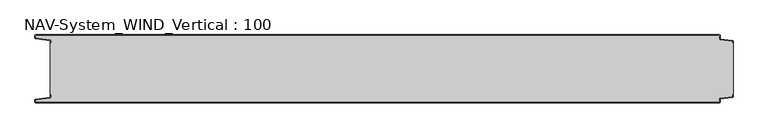
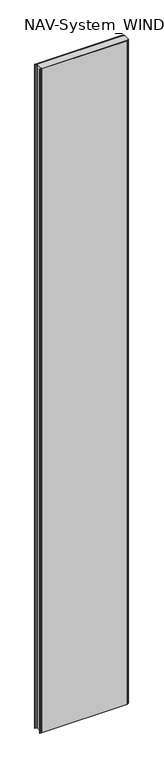
"""IFC4 building model written with IfcOpenShell, lengths in millimetres: plate geometry, NAV-System_WIND_Vertical : 100."""

import ifcopenshell
import ifcopenshell.guid

model = None  # the IFC model being written
_history = None  # IfcOwnerHistory: only IFC2X3 demands one
_inside = {}  # id of a spatial element -> (the spatial element, [elements in it])
_under = {}  # id of a project, library or spatial element -> (it, [spatial elements below it])
_declared = {}  # id of a project -> (the project, [libraries it declares])
_typed = {}  # id of a type object -> (the type object, [elements of that type])
_made_of = {}  # id of a material, layer set ... -> (it, [elements and type objects made of it])


def new_model(schema):
    """Start an empty IFC model of exactly this schema.

    Asked for "IFC4X3", IfcOpenShell would pick the latest addendum, in which some entities
    have other attributes; the version numbers below select the first issue.
    IFC2X3 requires an IfcOwnerHistory on every rooted entity: one is made here for all.
    """
    global model, _history
    if schema == "IFC4X3":
        model = ifcopenshell.file(schema_version=(4, 3, 0, 0))
    else:
        model = ifcopenshell.file(schema=schema)
    _inside.clear()
    _under.clear()
    _declared.clear()
    _typed.clear()
    _made_of.clear()
    _history = None
    if model.schema == "IFC2X3":
        org = make("IfcOrganization", Name="unknown")
        user = make(
            "IfcPersonAndOrganization",
            ThePerson=make("IfcPerson", FamilyName="unknown"),
            TheOrganization=org,
        )
        app = make(
            "IfcApplication",
            ApplicationDeveloper=org,
            Version="unknown",
            ApplicationFullName="unknown",
            ApplicationIdentifier="unknown",
        )
        _history = make(
            "IfcOwnerHistory",
            OwningUser=user,
            OwningApplication=app,
            ChangeAction="ADDED",
            CreationDate=0,
        )
    return model


def make(cls, **values):
    """One entity of the class cls with the attributes given. An attribute that is None is left unset."""
    return model.create_entity(
        cls, **{name: value for name, value in values.items() if value is not None}
    )


def rooted(cls, **values):
    """An entity with a GlobalId (a new one), such as an element, a storey or a relation."""
    return make(cls, GlobalId=ifcopenshell.guid.new(), OwnerHistory=_history, **values)


def si_unit(unit_type, name, prefix=None):
    """IfcSIUnit, for example si_unit("LENGTHUNIT", "METRE", prefix="MILLI")."""
    return make("IfcSIUnit", UnitType=unit_type, Prefix=prefix, Name=name)


def assignment(units):
    """IfcUnitAssignment: the units of a project."""
    return None if units is None else make("IfcUnitAssignment", Units=units)


def point(xyz):
    """IfcCartesianPoint."""
    return None if xyz is None else make("IfcCartesianPoint", Coordinates=xyz)


def direction(xyz):
    """IfcDirection."""
    return None if xyz is None else make("IfcDirection", DirectionRatios=xyz)


def frame(location, z_axis=None, x_axis=None):
    """IfcAxis2Placement3D, a coordinate frame: its origin and axes. An axis left out is left unset."""
    return make(
        "IfcAxis2Placement3D",
        Location=point(location),
        Axis=direction(z_axis),
        RefDirection=direction(x_axis),
    )


def frame_2d(location, x_axis=None):
    """IfcAxis2Placement2D, a coordinate frame in the plane: its origin and x axis."""
    return make(
        "IfcAxis2Placement2D", Location=point(location), RefDirection=direction(x_axis)
    )


def origin():
    """The frame at (0, 0, 0) with its axes left unset."""
    return frame((0.0, 0.0, 0.0))


def origin_with_axes():
    """The frame at (0, 0, 0) with the z axis (0, 0, 1) and the x axis (1, 0, 0) written out."""
    return frame((0.0, 0.0, 0.0), z_axis=(0.0, 0.0, 1.0), x_axis=(1.0, 0.0, 0.0))


def place(relative_to, where):
    """IfcLocalPlacement: puts the frame where relative to a parent placement (None: the world)."""
    return make(
        "IfcLocalPlacement", PlacementRelTo=relative_to, RelativePlacement=where
    )


def context(
    kind, dimensions, precision=None, world=None, true_north=None, identifier=None
):
    """IfcGeometricRepresentationContext, for example the 3D "Model" context."""
    return make(
        "IfcGeometricRepresentationContext",
        ContextIdentifier=identifier,
        ContextType=kind,
        CoordinateSpaceDimension=dimensions,
        Precision=precision,
        WorldCoordinateSystem=world,
        TrueNorth=true_north,
    )


def project(units=None, contexts=None):
    """IfcProject with its units and contexts."""
    return rooted(
        "IfcProject",
        Name="project",
        RepresentationContexts=contexts,
        UnitsInContext=assignment(units),
    )


def spatial(cls, under=None, at=None, **own):
    """A site, building, storey or space (cls), placed at a placement, below another one or the project."""
    s = rooted(cls, ObjectPlacement=at, **own)
    if under is not None:
        _under.setdefault(under.id(), (under, []))[1].append(s)
    return s


def polyline(points):
    """IfcPolyline through the points."""
    return make("IfcPolyline", Points=[point(p) for p in points])


def circle_curve(where, radius):
    """IfcCircle in the frame where."""
    return make("IfcCircle", Position=where, Radius=radius)


def trimmed(basis, trim1, trim2, sense, master):
    """IfcTrimmedCurve: the piece of a basis curve between two trims."""
    return make(
        "IfcTrimmedCurve",
        BasisCurve=basis,
        Trim1=trim1,
        Trim2=trim2,
        SenseAgreement=sense,
        MasterRepresentation=master,
    )


def segment(curve, same_sense, transition):
    """IfcCompositeCurveSegment."""
    return make(
        "IfcCompositeCurveSegment",
        Transition=transition,
        SameSense=same_sense,
        ParentCurve=curve,
    )


def composite_curve(segments, self_intersect=None):
    """IfcCompositeCurve: segments joined end to end."""
    return make("IfcCompositeCurve", Segments=segments, SelfIntersect=self_intersect)


def outline(outer, holes=None, kind="AREA"):
    """IfcArbitraryClosedProfileDef: a profile drawn as a closed curve; with holes, ...WithVoids."""
    if holes is None:
        return make("IfcArbitraryClosedProfileDef", ProfileType=kind, OuterCurve=outer)
    return make(
        "IfcArbitraryProfileDefWithVoids",
        ProfileType=kind,
        OuterCurve=outer,
        InnerCurves=holes,
    )


def extrude(swept, where, along, depth):
    """IfcExtrudedAreaSolid: the profile swept, set in the frame where, extruded along a direction by depth."""
    return make(
        "IfcExtrudedAreaSolid",
        SweptArea=swept,
        Position=where,
        ExtrudedDirection=direction(along),
        Depth=depth,
    )


def shape(context_of_items, identifier, shape_type, items):
    """IfcShapeRepresentation: the items that make up one representation, for example the "Body"."""
    return make(
        "IfcShapeRepresentation",
        ContextOfItems=context_of_items,
        RepresentationIdentifier=identifier,
        RepresentationType=shape_type,
        Items=items,
    )


def source(mapping_origin, context_of_items, identifier, shape_type, items):
    """IfcRepresentationMap: a shape defined once, which mapped items show again and again."""
    return make(
        "IfcRepresentationMap",
        MappingOrigin=mapping_origin,
        MappedRepresentation=shape(context_of_items, identifier, shape_type, items),
    )


def transform(
    local_origin,
    x_axis=None,
    y_axis=None,
    z_axis=None,
    scale=None,
    scale2=None,
    scale3=None,
    uniform=True,
):
    """IfcCartesianTransformationOperator3D, or its non-uniform kind. x_axis, y_axis, z_axis: its Axis1, 2, 3."""
    if uniform:
        return make(
            "IfcCartesianTransformationOperator3D",
            Axis1=direction(x_axis),
            Axis2=direction(y_axis),
            LocalOrigin=point(local_origin),
            Scale=scale,
            Axis3=direction(z_axis),
        )
    return make(
        "IfcCartesianTransformationOperator3DnonUniform",
        Axis1=direction(x_axis),
        Axis2=direction(y_axis),
        LocalOrigin=point(local_origin),
        Scale=scale,
        Axis3=direction(z_axis),
        Scale2=scale2,
        Scale3=scale3,
    )


def mapped(mapping_source, mapping_target):
    """IfcMappedItem: shows the shape of a source again, moved by a transform."""
    return make(
        "IfcMappedItem", MappingSource=mapping_source, MappingTarget=mapping_target
    )


def made_of(thing, what):
    """Note that an element or type object is made of a material, layer set ...; save() writes the relation."""
    if what is not None:
        _made_of.setdefault(what.id(), (what, []))[1].append(thing)
    return thing


def element(
    cls,
    number,
    at=None,
    inside=None,
    cuts=None,
    type_object=None,
    material=None,
    context=None,
    identifier="Body",
    shape_type=None,
    held_by="IfcProductDefinitionShape",
    body=None,
    shapes=None,
    **own,
):
    """One element of the class cls, such as IfcWall. Its Tag is "e" and its number.

    at: its placement. inside: the storey or other place that contains it. cuts: it is an
    opening in that element (IfcRelVoidsElement). A single representation is given by context,
    identifier, shape_type and body (its items); several are given by shapes. held_by: the class
    of the entity that holds the representations. save() writes the other relations.
    """
    e = rooted(cls, Tag="e%d" % number, ObjectPlacement=at, **own)
    if body is not None:
        shapes = [shape(context, identifier, shape_type, body)]
    if shapes is not None:
        e.Representation = make(held_by, Representations=shapes)
    if inside is not None:
        _inside.setdefault(inside.id(), (inside, []))[1].append(e)
    if cuts is not None:
        rooted(
            "IfcRelVoidsElement", RelatingBuildingElement=cuts, RelatedOpeningElement=e
        )
    if type_object is not None:
        _typed.setdefault(type_object.id(), (type_object, []))[1].append(e)
    return made_of(e, material)


def aggregate(whole, parts):
    """IfcRelAggregates: a whole, such as a stair, and the parts it consists of."""
    return rooted("IfcRelAggregates", RelatingObject=whole, RelatedObjects=parts)


def save(model, path):
    """Write the relations noted so far, then the file.

    IfcRelAggregates (storeys below a building ...), IfcRelContainedInSpatialStructure (elements
    in a storey), IfcRelDefinesByType, IfcRelAssociatesMaterial and IfcRelDeclares: one each for
    every whole, place, type object, material and project.
    """
    for whole, parts in _under.values():
        aggregate(whole, parts)
    for where, things in _inside.values():
        rooted(
            "IfcRelContainedInSpatialStructure",
            RelatedElements=things,
            RelatingStructure=where,
        )
    for kind, things in _typed.values():
        rooted("IfcRelDefinesByType", RelatedObjects=things, RelatingType=kind)
    for what, things in _made_of.values():
        rooted("IfcRelAssociatesMaterial", RelatedObjects=things, RelatingMaterial=what)
    for by, libraries in _declared.values():
        rooted("IfcRelDeclares", RelatingContext=by, RelatedDefinitions=libraries)
    model.write(path)


def nav_system_wind_vertical_100_ba036d32(model_context):
    return source(origin(), model_context, "Body", "SweptSolid", [
        extrude(outline(composite_curve([segment(polyline([(519.0, -88.2932637), (519.0, -90.1932637)]), True, "CONTINUOUS"), segment(trimmed(circle_curve(frame_2d((517.7, -90.1932637)), 1.3), [point((519.0, -90.1932637))], [point((517.8810287, -91.4805976))], False, "CARTESIAN"), True, "CONTINUOUS"), segment(polyline([(517.8810287, -91.4805976), (500.602523, -93.9103519)]), True, "CONTINUOUS"), segment(trimmed(circle_curve(frame_2d((500.7, -94.6035317)), 0.7), [point((500.602523, -93.9103519))], [point((500.0, -94.6035317))], True, "CARTESIAN"), True, "CONTINUOUS"), segment(polyline([(500.0, -94.6035317), (500.0, -98.7)]), True, "CONTINUOUS"), segment(trimmed(circle_curve(frame_2d((498.7, -98.7)), 1.3), [point((500.0, -98.7))], [point((498.7, -100.0))], False, "CARTESIAN"), True, "CONTINUOUS"), segment(polyline([(498.7, -100.0), (-498.7, -100.0)]), True, "CONTINUOUS"), segment(trimmed(circle_curve(frame_2d((-498.7, -98.7)), 1.3), [point((-498.7, -100.0))], [point((-500.0, -98.7))], False, "CARTESIAN"), True, "CONTINUOUS"), segment(polyline([(-500.0, -98.7), (-500.0, -95.6299809)]), True, "CONTINUOUS"), segment(trimmed(circle_curve(frame_2d((-498.7, -95.6299809)), 1.3), [point((-500.0, -95.6299809))], [point((-498.8810287, -94.342647))], False, "CARTESIAN"), True, "CONTINUOUS"), segment(polyline([(-498.8810287, -94.342647), (-478.102523, -91.4207123)]), True, "CONTINUOUS"), segment(trimmed(circle_curve(frame_2d((-478.2, -90.7275325)), 0.7), [point((-478.102523, -91.4207123))], [point((-477.5, -90.7275325))], True, "CARTESIAN"), True, "CONTINUOUS"), segment(polyline([(-477.5, -90.7275325), (-477.5, -88.3275325), (-476.7, -88.3275325), (-476.7, -90.7275325)]), True, "CONTINUOUS"), segment(trimmed(circle_curve(frame_2d((-478.2, -90.7275325)), 1.5), [point((-476.7, -90.7275325))], [point((-477.9911207, -92.2129178))], False, "CARTESIAN"), True, "CONTINUOUS"), segment(polyline([(-477.9911207, -92.2129178), (-499.2, -95.1953728), (-499.2, -98.7)]), True, "CONTINUOUS"), segment(trimmed(circle_curve(frame_2d((-498.7, -98.7)), 0.5), [point((-499.2, -98.7))], [point((-498.7, -99.2))], True, "CARTESIAN"), True, "CONTINUOUS"), segment(polyline([(-498.7, -99.2), (498.7, -99.2)]), True, "CONTINUOUS"), segment(trimmed(circle_curve(frame_2d((498.7, -98.7)), 0.5), [point((498.7, -99.2))], [point((499.2, -98.7))], True, "CARTESIAN"), True, "CONTINUOUS"), segment(polyline([(499.2, -98.7), (499.2, -94.6035317)]), True, "CONTINUOUS"), segment(trimmed(circle_curve(frame_2d((500.7, -94.6035317)), 1.5), [point((499.2, -94.6035317))], [point((500.4911207, -93.1181464))], False, "CARTESIAN"), True, "CONTINUOUS"), segment(polyline([(500.4911207, -93.1181464), (518.2, -90.6278717), (518.2, -88.2932637), (519.0, -88.2932637)]), True, "CONTINUOUS")], self_intersect=False)), origin_with_axes(), (0.0, 0.0, 1.0), 8000.0),
        extrude(outline(composite_curve([segment(polyline([(519.0, -11.7067363), (518.2, -11.7067363), (518.2, -9.3721283), (500.4911207, -6.8818536)]), True, "CONTINUOUS"), segment(trimmed(circle_curve(frame_2d((500.7, -5.3964683)), 1.5), [point((500.4911207, -6.8818536))], [point((499.2, -5.3964683))], False, "CARTESIAN"), True, "CONTINUOUS"), segment(polyline([(499.2, -5.3964683), (499.2, -1.3)]), True, "CONTINUOUS"), segment(trimmed(circle_curve(frame_2d((498.7, -1.3)), 0.5), [point((499.2, -1.3))], [point((498.7, -0.8))], True, "CARTESIAN"), True, "CONTINUOUS"), segment(polyline([(498.7, -0.8), (-498.7, -0.8)]), True, "CONTINUOUS"), segment(trimmed(circle_curve(frame_2d((-498.7, -1.3)), 0.5), [point((-498.7, -0.8))], [point((-499.2, -1.3))], True, "CARTESIAN"), True, "CONTINUOUS"), segment(polyline([(-499.2, -1.3), (-499.2, -4.8046272), (-477.9911207, -7.7870822)]), True, "CONTINUOUS"), segment(trimmed(circle_curve(frame_2d((-478.2, -9.2724675)), 1.5), [point((-477.9911207, -7.7870822))], [point((-476.7, -9.2724675))], False, "CARTESIAN"), True, "CONTINUOUS"), segment(polyline([(-476.7, -9.2724675), (-476.7, -11.6724675), (-477.5, -11.6724675), (-477.5, -9.2724675)]), True, "CONTINUOUS"), segment(trimmed(circle_curve(frame_2d((-478.2, -9.2724675)), 0.7), [point((-477.5, -9.2724675))], [point((-478.102523, -8.5792877))], True, "CARTESIAN"), True, "CONTINUOUS"), segment(polyline([(-478.102523, -8.5792877), (-498.8810287, -5.657353)]), True, "CONTINUOUS"), segment(trimmed(circle_curve(frame_2d((-498.7, -4.3700191)), 1.3), [point((-498.8810287, -5.657353))], [point((-500.0, -4.3700191))], False, "CARTESIAN"), True, "CONTINUOUS"), segment(polyline([(-500.0, -4.3700191), (-500.0, -1.3)]), True, "CONTINUOUS"), segment(trimmed(circle_curve(frame_2d((-498.7, -1.3)), 1.3), [point((-500.0, -1.3))], [point((-498.7, 0.0))], False, "CARTESIAN"), True, "CONTINUOUS"), segment(polyline([(-498.7, 0.0), (498.7, 0.0)]), True, "CONTINUOUS"), segment(trimmed(circle_curve(frame_2d((498.7, -1.3)), 1.3), [point((498.7, 0.0))], [point((500.0, -1.3))], False, "CARTESIAN"), True, "CONTINUOUS"), segment(polyline([(500.0, -1.3), (500.0, -5.3964683)]), True, "CONTINUOUS"), segment(trimmed(circle_curve(frame_2d((500.7, -5.3964683)), 0.7), [point((500.0, -5.3964683))], [point((500.602523, -6.0896481))], True, "CARTESIAN"), True, "CONTINUOUS"), segment(polyline([(500.602523, -6.0896481), (517.8810287, -8.5194024)]), True, "CONTINUOUS"), segment(trimmed(circle_curve(frame_2d((517.7, -9.8067363)), 1.3), [point((517.8810287, -8.5194024))], [point((519.0, -9.8067363))], False, "CARTESIAN"), True, "CONTINUOUS"), segment(polyline([(519.0, -9.8067363), (519.0, -11.7067363)]), True, "CONTINUOUS")], self_intersect=False)), origin_with_axes(), (0.0, 0.0, 1.0), 8000.0),
        extrude(outline(composite_curve([segment(polyline([(500.4911207, -6.8818536), (518.2, -9.3721283), (518.2, -11.6767555), (519.0, -11.6767555), (519.0, -88.2767555), (518.2, -88.2767555), (518.2, -90.6278717), (500.4911207, -93.1181464)]), True, "CONTINUOUS"), segment(trimmed(circle_curve(frame_2d((500.7, -94.6035317)), 1.5), [point((500.4911207, -93.1181464))], [point((499.2, -94.6035317))], True, "CARTESIAN"), True, "CONTINUOUS"), segment(polyline([(499.2, -94.6035317), (499.2, -98.7)]), True, "CONTINUOUS"), segment(trimmed(circle_curve(frame_2d((498.7, -98.7)), 0.5), [point((499.2, -98.7))], [point((498.7, -99.2))], False, "CARTESIAN"), True, "CONTINUOUS"), segment(polyline([(498.7, -99.2), (-498.7, -99.2)]), True, "CONTINUOUS"), segment(trimmed(circle_curve(frame_2d((-498.7, -98.7)), 0.5), [point((-498.7, -99.2))], [point((-499.2, -98.7))], False, "CARTESIAN"), True, "CONTINUOUS"), segment(polyline([(-499.2, -98.7), (-499.2, -95.1953728), (-477.9911207, -92.2129178)]), True, "CONTINUOUS"), segment(trimmed(circle_curve(frame_2d((-478.2, -90.7275325)), 1.5), [point((-477.9911207, -92.2129178))], [point((-476.7, -90.7275325))], True, "CARTESIAN"), True, "CONTINUOUS"), segment(polyline([(-476.7, -90.7275325), (-476.7, -88.2767555), (-477.5, -88.2767555), (-477.5, -11.6767555), (-476.7, -11.6767555), (-476.7, -9.2724675)]), True, "CONTINUOUS"), segment(trimmed(circle_curve(frame_2d((-478.2, -9.2724675)), 1.5), [point((-476.7, -9.2724675))], [point((-477.9911207, -7.7870822))], True, "CARTESIAN"), True, "CONTINUOUS"), segment(polyline([(-477.9911207, -7.7870822), (-499.2, -4.8046272), (-499.2, -1.3)]), True, "CONTINUOUS"), segment(trimmed(circle_curve(frame_2d((-498.7, -1.3)), 0.5), [point((-499.2, -1.3))], [point((-498.7, -0.8))], False, "CARTESIAN"), True, "CONTINUOUS"), segment(polyline([(-498.7, -0.8), (498.7, -0.8)]), True, "CONTINUOUS"), segment(trimmed(circle_curve(frame_2d((498.7, -1.3)), 0.5), [point((498.7, -0.8))], [point((499.2, -1.3))], False, "CARTESIAN"), True, "CONTINUOUS"), segment(polyline([(499.2, -1.3), (499.2, -5.3964683)]), True, "CONTINUOUS"), segment(trimmed(circle_curve(frame_2d((500.7, -5.3964683)), 1.5), [point((499.2, -5.3964683))], [point((500.4911207, -6.8818536))], True, "CARTESIAN"), True, "CONTINUOUS")], self_intersect=False)), origin_with_axes(), (0.0, 0.0, 1.0), 8000.0),
    ])


if __name__ == "__main__":
    model = new_model("IFC4")
    model_context = context("Model", 3, world=origin())
    ifc_project = project(units=[si_unit("LENGTHUNIT", "METRE", prefix="MILLI")], contexts=[model_context])
    site = spatial("IfcSite", under=ifc_project)
    building = spatial("IfcBuilding", under=site)
    placement = place(None, origin())
    nav_system_wind_vertical_100_shape = nav_system_wind_vertical_100_ba036d32(model_context)
    element("IfcPlate", 1, ObjectType="NAV-System_WIND_Vertical : 100", at=placement, inside=building, context=model_context, shape_type="MappedRepresentation", body=[
        mapped(nav_system_wind_vertical_100_shape, transform((0.0, 0.0, 0.0), x_axis=(1.0, 0.0, 0.0), y_axis=(0.0, 1.0, 0.0), z_axis=(0.0, 0.0, 1.0))),
    ])
    save(model, "model.ifc")
